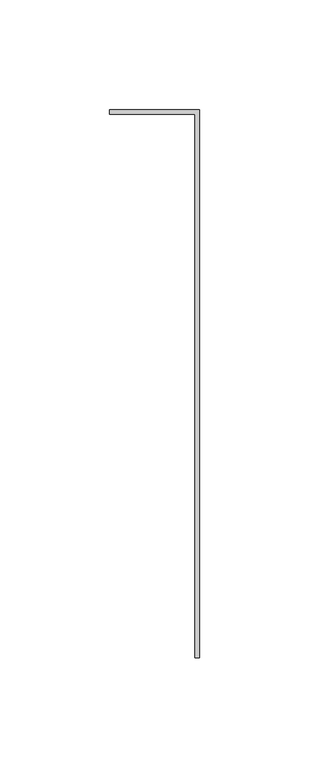
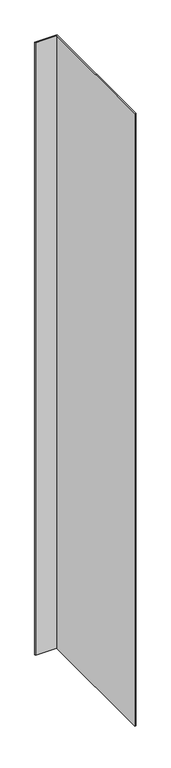
"""IFC4 building model written with IfcOpenShell, lengths in millimetres: member geometry."""

from ifc_helpers import new_model, si_unit, frame, origin, place, context, project, spatial, polyline, outline, extrude, source, transform, mapped, element, save


def member_4f281dda(model_context):
    return source(origin(), model_context, "Body", "SweptSolid", [
        extrude(outline(polyline([(0.0, 0.0), (-2.0108815, 0.0), (-2.0108815, 248.0), (-41.0108815, 248.0), (-41.0108815, 250.0), (0.0, 250.0), (0.0, 0.0)])), frame((0.0, 0.0, -1184.5835319), z_axis=(0.0, 0.0, 1.0), x_axis=(1.0, 0.0, 0.0)), (0.0, 0.0, 1.0), 1184.5835319),
    ])


if __name__ == "__main__":
    model = new_model("IFC4")
    model_context = context("Model", 3, world=origin())
    ifc_project = project(units=[si_unit("LENGTHUNIT", "METRE", prefix="MILLI")], contexts=[model_context])
    site = spatial("IfcSite", under=ifc_project)
    building = spatial("IfcBuilding", under=site)
    placement = place(None, origin())
    member_shape = member_4f281dda(model_context)
    element("IfcMember", 1, at=placement, inside=building, context=model_context, shape_type="MappedRepresentation", body=[
        mapped(member_shape, transform((0.0, 0.0, 0.0), x_axis=(1.0, 0.0, 0.0), y_axis=(0.0, 1.0, 0.0), z_axis=(0.0, 0.0, 1.0))),
    ])
    save(model, "model.ifc")
